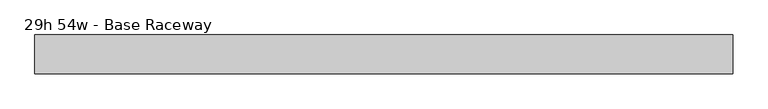
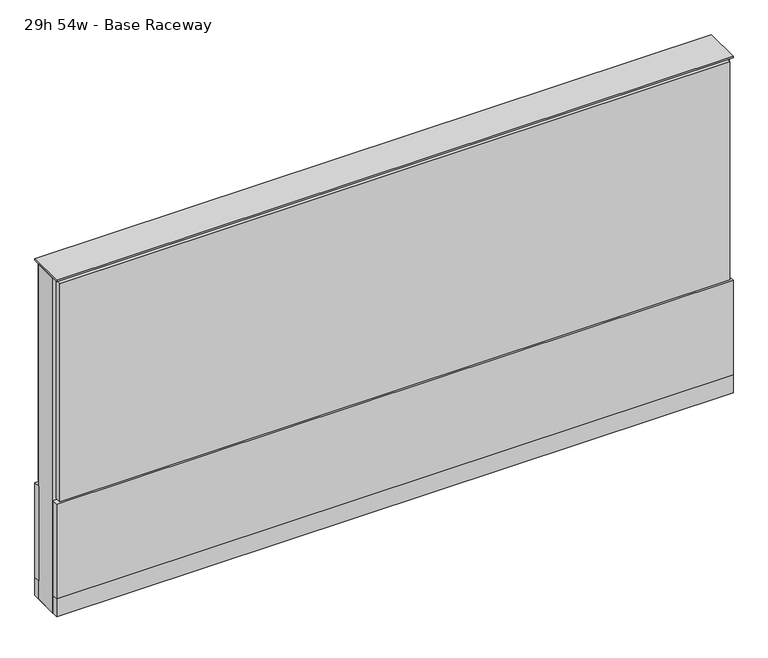
"""IFC4 building model written with IfcOpenShell, lengths in millimetres: furniture geometry, 29h 54w - Base Raceway."""

from ifc_helpers import new_model, si_unit, point, frame, frame_2d, origin, origin_with_axes, place, context, project, spatial, polyline, circle_curve, trimmed, segment, composite_curve, outline, extrude, source, transform, mapped, element, save


def furniture_29h_54w_base_raceway_04b414de(model_context):
    return source(origin(), model_context, "Body", "SweptSolid", [
        extrude(outline(composite_curve([segment(trimmed(circle_curve(frame_2d((612.0402902, 0.0)), 12.7), [point((599.3402902, 0.0))], [point((624.7402902, 0.0))], False, "CARTESIAN"), True, "CONTINUOUS"), segment(trimmed(circle_curve(frame_2d((612.0402902, 0.0)), 12.7), [point((624.7402902, 0.0))], [point((599.3402902, 0.0))], False, "CARTESIAN"), True, "CONTINUOUS")], self_intersect=False)), origin_with_axes(), (0.0, 0.0, 1.0), 12.7),
        extrude(outline(composite_curve([segment(trimmed(circle_curve(frame_2d((-607.1597098, 0.0)), 12.7), [point((-619.8597098, 0.0))], [point((-594.4597098, 0.0))], False, "CARTESIAN"), True, "CONTINUOUS"), segment(trimmed(circle_curve(frame_2d((-607.1597098, 0.0)), 12.7), [point((-594.4597098, 0.0))], [point((-619.8597098, 0.0))], False, "CARTESIAN"), True, "CONTINUOUS")], self_intersect=False)), origin_with_axes(), (0.0, 0.0, 1.0), 12.7),
        extrude(outline(polyline([(681.8902902, 38.1), (681.8902902, 25.4), (-677.0097098, 25.4), (-677.0097098, 38.1), (681.8902902, 38.1)])), frame((0.0, 0.0, 257.175), z_axis=(0.0, 0.0, 1.0), x_axis=(1.0, 0.0, 0.0)), (0.0, 0.0, 1.0), 466.725),
        extrude(outline(polyline([(688.2402902, 38.1), (688.2402902, 25.4), (-683.3597098, 25.4), (-683.3597098, 38.1), (688.2402902, 38.1)])), frame((0.0, 0.0, 50.8), z_axis=(0.0, 0.0, 1.0), x_axis=(1.0, 0.0, 0.0)), (0.0, 0.0, 1.0), 203.2),
        extrude(outline(polyline([(688.2402902, -38.1), (-683.3597098, -38.1), (-683.3597098, -25.4), (688.2402902, -25.4), (688.2402902, -38.1)])), frame((0.0, 0.0, 50.8), z_axis=(0.0, 0.0, 1.0), x_axis=(1.0, 0.0, 0.0)), (0.0, 0.0, 1.0), 203.2),
        extrude(outline(polyline([(681.8902902, -38.1), (-677.0097098, -38.1), (-677.0097098, -25.4), (681.8902902, -25.4), (681.8902902, -38.1)])), frame((0.0, 0.0, 257.175), z_axis=(0.0, 0.0, 1.0), x_axis=(1.0, 0.0, 0.0)), (0.0, 0.0, 1.0), 466.725),
        extrude(outline(polyline([(688.2402902, 25.4), (688.2402902, -25.4), (-683.3597098, -25.4), (-683.3597098, 25.4), (688.2402902, 25.4)])), frame((0.0, 0.0, 12.7), z_axis=(0.0, 0.0, 1.0), x_axis=(1.0, 0.0, 0.0)), (0.0, 0.0, 1.0), 717.55),
        extrude(outline(polyline([(-683.3597098, -38.1), (-683.3597098, 38.1), (688.2402902, 38.1), (688.2402902, -38.1), (-683.3597098, -38.1)])), frame((0.0, 0.0, 12.7), z_axis=(0.0, 0.0, 1.0), x_axis=(1.0, 0.0, 0.0)), (0.0, 0.0, 1.0), 38.1),
        extrude(outline(polyline([(-683.3597098, -38.1), (-683.3597098, 38.1), (688.2402902, 38.1), (688.2402902, -38.1), (-683.3597098, -38.1)])), frame((0.0, 0.0, 730.25), z_axis=(0.0, 0.0, 1.0), x_axis=(1.0, 0.0, 0.0)), (0.0, 0.0, 1.0), 3.175),
    ])


if __name__ == "__main__":
    model = new_model("IFC4")
    model_context = context("Model", 3, world=origin())
    ifc_project = project(units=[si_unit("LENGTHUNIT", "METRE", prefix="MILLI")], contexts=[model_context])
    site = spatial("IfcSite", under=ifc_project)
    building = spatial("IfcBuilding", under=site)
    placement = place(None, origin())
    furniture_29h_54w_base_raceway_shape = furniture_29h_54w_base_raceway_04b414de(model_context)
    element("IfcFurniture", 1, ObjectType="29h 54w - Base Raceway", at=placement, inside=building, context=model_context, shape_type="MappedRepresentation", body=[
        mapped(furniture_29h_54w_base_raceway_shape, transform((0.0, 0.0, 0.0), x_axis=(1.0, 0.0, 0.0), y_axis=(0.0, 1.0, 0.0), z_axis=(0.0, 0.0, 1.0))),
    ])
    save(model, "model.ifc")
